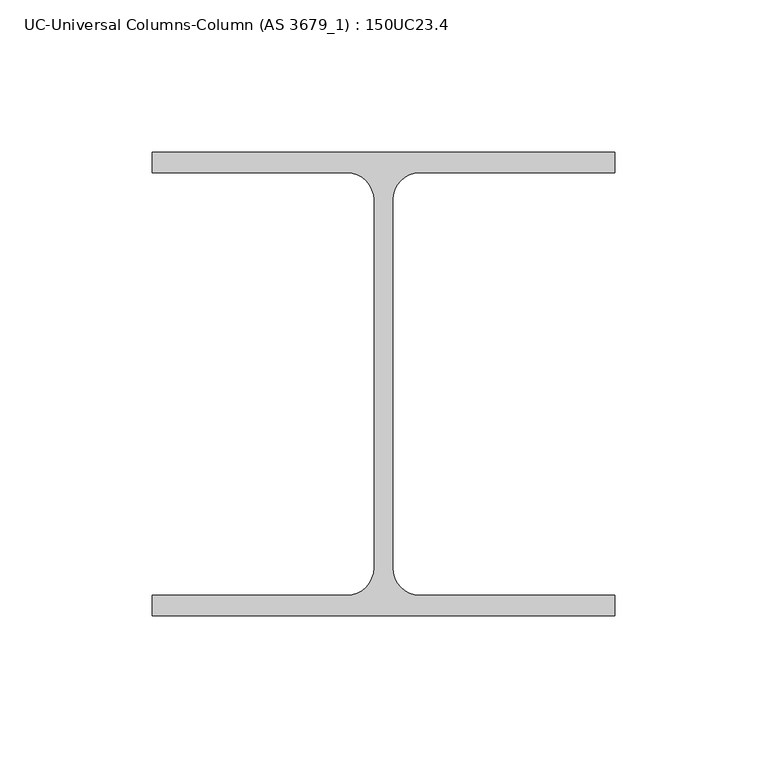
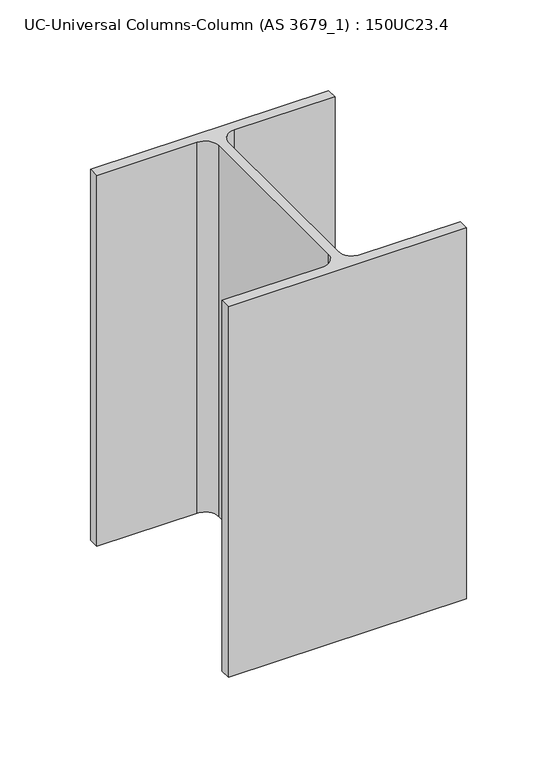
"""IFC4 building model written with IfcOpenShell, lengths in millimetres: column geometry, UC-Universal Columns-Column (AS 3679_1) : 150UC23.4."""

from ifc_helpers import new_model, si_unit, point, frame, frame_2d, origin, place, context, project, spatial, polyline, circle_curve, trimmed, segment, composite_curve, outline, extrude, source, transform, mapped, element, save


def uc_universal_columns_column_as_3679_1_150uc23_4_05d4b862(model_context):
    return source(origin(), model_context, "Body", "SweptSolid", [
        extrude(outline(composite_curve([segment(polyline([(76.0, 76.2), (76.0, 69.4), (11.95, 69.4)]), True, "CONTINUOUS"), segment(trimmed(circle_curve(frame_2d((11.95, 60.5)), 8.9), [point((11.95, 69.4))], [point((3.05, 60.5))], True, "CARTESIAN"), True, "CONTINUOUS"), segment(polyline([(3.05, 60.5), (3.05, -60.5)]), True, "CONTINUOUS"), segment(trimmed(circle_curve(frame_2d((11.95, -60.5)), 8.9), [point((3.05, -60.5))], [point((11.95, -69.4))], True, "CARTESIAN"), True, "CONTINUOUS"), segment(polyline([(11.95, -69.4), (76.0, -69.4), (76.0, -76.2), (-76.0, -76.2), (-76.0, -69.4), (-11.95, -69.4)]), True, "CONTINUOUS"), segment(trimmed(circle_curve(frame_2d((-11.95, -60.5)), 8.9), [point((-11.95, -69.4))], [point((-3.05, -60.5))], True, "CARTESIAN"), True, "CONTINUOUS"), segment(polyline([(-3.05, -60.5), (-3.05, 60.5)]), True, "CONTINUOUS"), segment(trimmed(circle_curve(frame_2d((-11.95, 60.5)), 8.9), [point((-3.05, 60.5))], [point((-11.95, 69.4))], True, "CARTESIAN"), True, "CONTINUOUS"), segment(polyline([(-11.95, 69.4), (-76.0, 69.4), (-76.0, 76.2), (76.0, 76.2)]), True, "CONTINUOUS")], self_intersect=False)), frame((0.0, 0.0, 6514.7), z_axis=(0.0, 0.0, 1.0), x_axis=(1.0, 0.0, 0.0)), (0.0, 0.0, 1.0), 250.0),
    ])


if __name__ == "__main__":
    model = new_model("IFC4")
    model_context = context("Model", 3, world=origin())
    ifc_project = project(units=[si_unit("LENGTHUNIT", "METRE", prefix="MILLI")], contexts=[model_context])
    site = spatial("IfcSite", under=ifc_project)
    building = spatial("IfcBuilding", under=site)
    placement = place(None, origin())
    uc_universal_columns_column_as_3679_1_150uc23_4_shape = uc_universal_columns_column_as_3679_1_150uc23_4_05d4b862(model_context)
    element("IfcColumn", 1, ObjectType="UC-Universal Columns-Column (AS 3679_1) : 150UC23.4", at=placement, inside=building, context=model_context, shape_type="MappedRepresentation", body=[
        mapped(uc_universal_columns_column_as_3679_1_150uc23_4_shape, transform((0.0, 0.0, 0.0), x_axis=(1.0, 0.0, 0.0), y_axis=(0.0, 1.0, 0.0), z_axis=(0.0, 0.0, 1.0))),
    ])
    save(model, "model.ifc")
